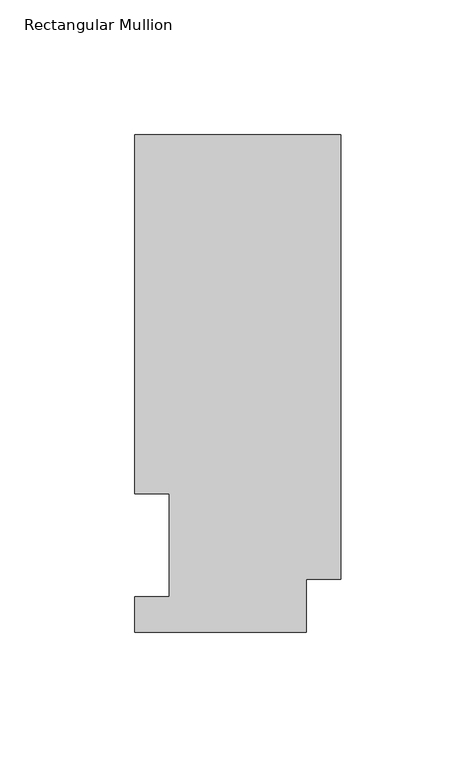
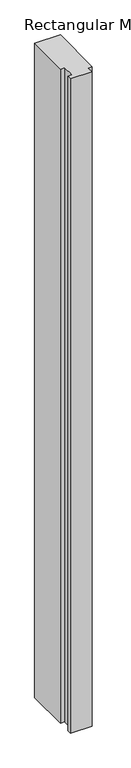
"""IFC4 building model written with IfcOpenShell, lengths in millimetres: member geometry, Rectangular Mullion."""

from ifc_helpers import new_model, si_unit, frame, origin, place, context, project, spatial, polyline, outline, extrude, source, transform, mapped, element, save


def rectangular_mullion_b7943684(model_context):
    return source(origin(), model_context, "Body", "SweptSolid", [
        extrude(outline(polyline([(-76.2, 0.0134938), (-76.2, 13.1960938), (-63.5, 13.1960938), (-63.5, 51.2960937), (-76.2, 51.2960938), (-76.2, 184.2396938), (0.0, 184.2396937), (0.0, 19.5460937), (-12.7, 19.5460937), (-12.7, 0.0134938), (-76.2, 0.0134938)])), frame((0.0, 0.0, -2057.4), z_axis=(0.0, 0.0, 1.0), x_axis=(1.0, 0.0, 0.0)), (0.0, 0.0, 1.0), 2057.4),
    ])


if __name__ == "__main__":
    model = new_model("IFC4")
    model_context = context("Model", 3, world=origin())
    ifc_project = project(units=[si_unit("LENGTHUNIT", "METRE", prefix="MILLI")], contexts=[model_context])
    site = spatial("IfcSite", under=ifc_project)
    building = spatial("IfcBuilding", under=site)
    placement = place(None, origin())
    rectangular_mullion_shape = rectangular_mullion_b7943684(model_context)
    element("IfcMember", 1, ObjectType="Rectangular Mullion", at=placement, inside=building, context=model_context, shape_type="MappedRepresentation", body=[
        mapped(rectangular_mullion_shape, transform((0.0, 0.0, 0.0), x_axis=(1.0, 0.0, 0.0), y_axis=(0.0, 1.0, 0.0), z_axis=(0.0, 0.0, 1.0))),
    ])
    save(model, "model.ifc")
